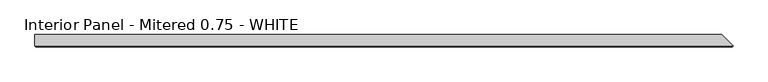
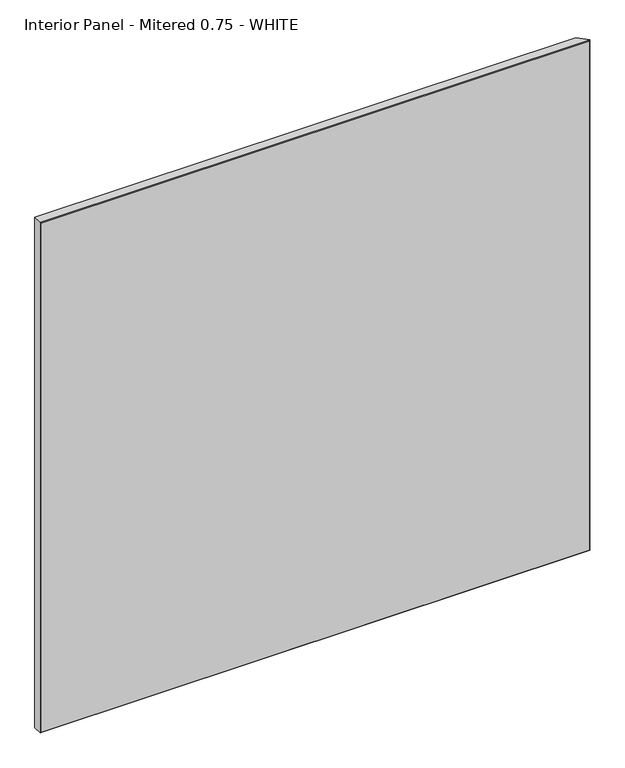
"""IFC4 building model written with IfcOpenShell, lengths in millimetres: proxy geometry, Interior Panel - Mitered 0.75 - WHITE."""

from ifc_helpers import new_model, si_unit, origin, place, context, project, spatial, faceted_brep, source, transform, mapped, element, save


def interior_panel_mitered_0_75_white_4737b0c0(model_context):
    return source(origin(), model_context, "Body", "Brep", [
        faceted_brep([(993.378125, 3.175, 1063.625), (-73.025, 3.175, 1063.625), (-73.025, -14.2875, 1063.625), (1010.840625, -14.2875, 1063.625), (993.378125, 3.175, 0.0), (1010.840625, -14.2875, 0.0), (-73.025, -14.2875, 0.0), (-73.025, 3.175, 0.0), (-71.4375, -15.875, 1062.0375), (-71.4375, -15.875, 1.5875), (1009.253125, -15.875, 1.5875), (1009.253125, -15.875, 1062.0375)], [[[0, 1, 2, 3]], [[4, 5, 6, 7]], [[1, 0, 4, 7]], [[2, 1, 7, 6]], [[8, 9, 10, 11]], [[2, 6, 9, 8]], [[3, 2, 8, 11]], [[6, 5, 10, 9]], [[0, 3, 5, 4]], [[5, 3, 11, 10]]]),
    ])


if __name__ == "__main__":
    model = new_model("IFC4")
    model_context = context("Model", 3, world=origin())
    ifc_project = project(units=[si_unit("LENGTHUNIT", "METRE", prefix="MILLI")], contexts=[model_context])
    site = spatial("IfcSite", under=ifc_project)
    building = spatial("IfcBuilding", under=site)
    placement = place(None, origin())
    interior_panel_mitered_0_75_white_shape = interior_panel_mitered_0_75_white_4737b0c0(model_context)
    element("IfcBuildingElementProxy", 1, Name="Interior Panel - Mitered 0.75 - WHITE", ObjectType="Interior Panel - Mitered 0.75 - WHITE", at=placement, inside=building, context=model_context, shape_type="MappedRepresentation", body=[
        mapped(interior_panel_mitered_0_75_white_shape, transform((0.0, 0.0, 0.0), x_axis=(1.0, 0.0, 0.0), y_axis=(0.0, 1.0, 0.0), z_axis=(0.0, 0.0, 1.0))),
    ])
    save(model, "model.ifc")
